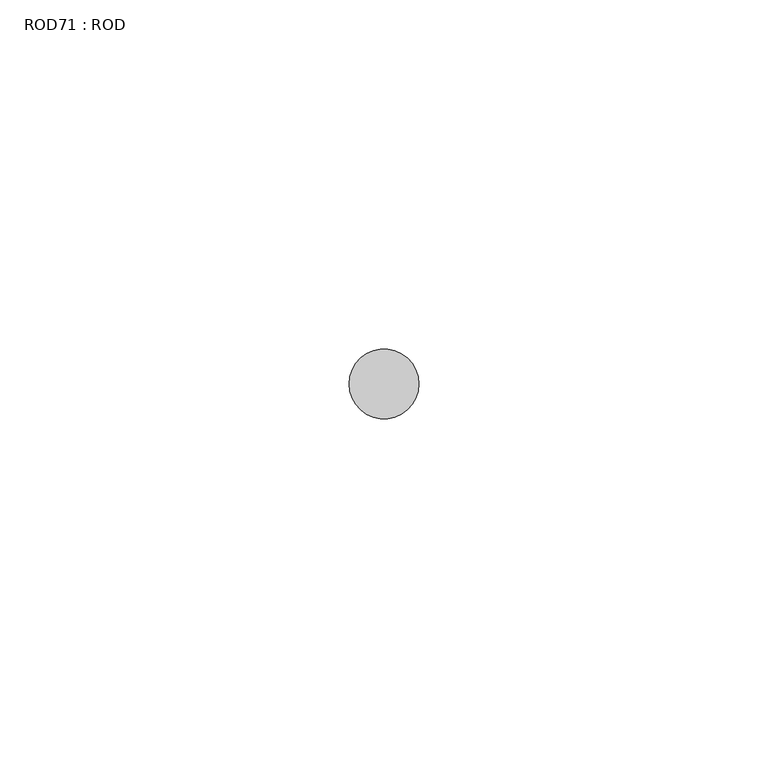
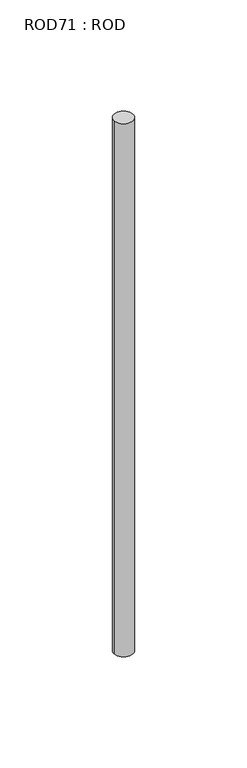
"""IFC4 building model written with IfcOpenShell, lengths in millimetres: proxy geometry, ROD71 : ROD."""

from ifc_helpers import new_model, si_unit, point, frame, frame_2d, origin, place, context, project, spatial, circle_curve, trimmed, segment, composite_curve, outline, extrude, source, transform, mapped, element, save


def rod71_rod_5e4bd6ae(model_context):
    return source(origin(), model_context, "Body", "SweptSolid", [
        extrude(outline(composite_curve([segment(trimmed(circle_curve(frame_2d((7499.7673324, 1031.8951272)), 5.0), [point((7494.7673324, 1031.8951272))], [point((7504.7673324, 1031.8951272))], False, "CARTESIAN"), True, "CONTINUOUS"), segment(trimmed(circle_curve(frame_2d((7499.7673324, 1031.8951272)), 5.0), [point((7504.7673324, 1031.8951272))], [point((7494.7673324, 1031.8951272))], False, "CARTESIAN"), True, "CONTINUOUS")], self_intersect=False)), frame((0.0, 0.0, -108.6608845), z_axis=(0.0, 0.0, 1.0), x_axis=(1.0, 0.0, 0.0)), (0.0, 0.0, 1.0), 298.9028972),
    ])


if __name__ == "__main__":
    model = new_model("IFC4")
    model_context = context("Model", 3, world=origin())
    ifc_project = project(units=[si_unit("LENGTHUNIT", "METRE", prefix="MILLI")], contexts=[model_context])
    site = spatial("IfcSite", under=ifc_project)
    building = spatial("IfcBuilding", under=site)
    placement = place(None, origin())
    rod71_rod_shape = rod71_rod_5e4bd6ae(model_context)
    element("IfcBuildingElementProxy", 1, Name="ROD71 : ROD", ObjectType="ROD71 : ROD", at=placement, inside=building, context=model_context, shape_type="MappedRepresentation", body=[
        mapped(rod71_rod_shape, transform((0.0, 0.0, 0.0), x_axis=(1.0, 0.0, 0.0), y_axis=(0.0, 1.0, 0.0), z_axis=(0.0, 0.0, 1.0))),
    ])
    save(model, "model.ifc")
